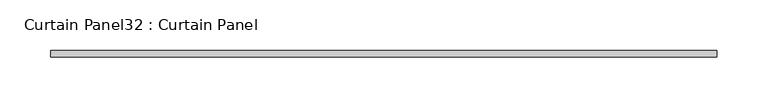
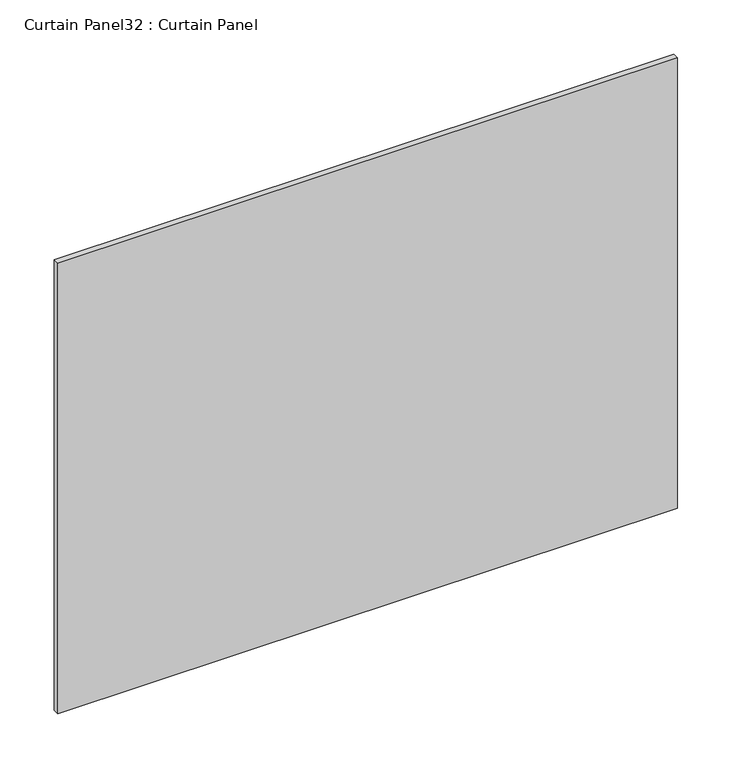
"""IFC4 building model written with IfcOpenShell, lengths in millimetres: plate geometry, Curtain Panel32 : Curtain Panel."""

from ifc_helpers import new_model, si_unit, frame, origin, place, context, project, spatial, polyline, outline, extrude, source, transform, mapped, element, save


def curtain_panel32_curtain_panel_9fe59287(model_context):
    return source(origin(), model_context, "Body", "SweptSolid", [
        extrude(outline(polyline([(6123.8264638, 3568.3617926), (5467.3416016, 3568.3617926), (5467.3416016, 3574.7117926), (6123.8264638, 3574.7117926), (6123.8264638, 3568.3617926)])), frame((0.0, 0.0, 2020.998625), z_axis=(0.0, 0.0, 1.0), x_axis=(1.0, 0.0, 0.0)), (0.0, 0.0, 1.0), 504.5420507),
    ])


if __name__ == "__main__":
    model = new_model("IFC4")
    model_context = context("Model", 3, world=origin())
    ifc_project = project(units=[si_unit("LENGTHUNIT", "METRE", prefix="MILLI")], contexts=[model_context])
    site = spatial("IfcSite", under=ifc_project)
    building = spatial("IfcBuilding", under=site)
    placement = place(None, origin())
    curtain_panel32_curtain_panel_shape = curtain_panel32_curtain_panel_9fe59287(model_context)
    element("IfcPlate", 1, ObjectType="Curtain Panel32 : Curtain Panel", at=placement, inside=building, context=model_context, shape_type="MappedRepresentation", body=[
        mapped(curtain_panel32_curtain_panel_shape, transform((0.0, 0.0, 0.0), x_axis=(1.0, 0.0, 0.0), y_axis=(0.0, 1.0, 0.0), z_axis=(0.0, 0.0, 1.0))),
    ])
    save(model, "model.ifc")
